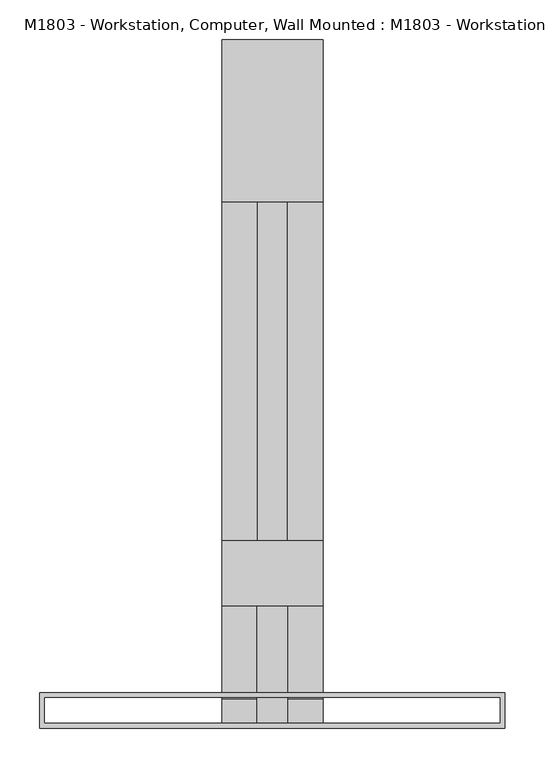
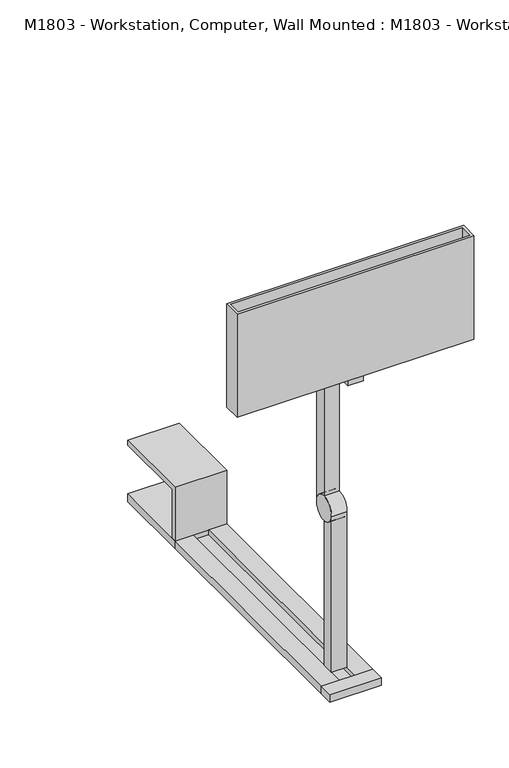
"""IFC4 building model written with IfcOpenShell, lengths in millimetres: proxy geometry, M1803 - Workstation, Computer, Wall Mounted : M1803 - Workstation, Computer, Wall Mounted."""

from ifc_helpers import new_model, si_unit, point, frame, frame_2d, origin, origin_with_axes, place, context, project, spatial, polyline, circle_curve, trimmed, segment, composite_curve, outline, extrude, source, transform, mapped, element, save


def m1803_workstation_computer_wall_mounted_m1803_workstation_b8d67a36(model_context):
    return source(origin(), model_context, "Body", "SweptSolid", [
        extrude(outline(composite_curve([segment(trimmed(circle_curve(frame_2d((101.6, 429.26)), 31.75), [point((101.6, 461.01))], [point((101.6, 397.51))], False, "CARTESIAN"), True, "CONTINUOUS"), segment(trimmed(circle_curve(frame_2d((101.6, 429.26)), 31.75), [point((101.6, 397.51))], [point((101.6, 461.01))], False, "CARTESIAN"), True, "CONTINUOUS")], self_intersect=False)), frame((-19.05, 0.0, 0.0), z_axis=(1.0, 0.0, 0.0), x_axis=(0.0, 1.0, 0.0)), (0.0, 0.0, 1.0), 38.1),
        extrude(outline(composite_curve([segment(polyline([(101.6, 397.51), (101.6, 20.32), (69.85, 20.32), (69.85, 429.26)]), True, "CONTINUOUS"), segment(trimmed(circle_curve(frame_2d((101.6, 429.26)), 31.75), [point((69.85, 429.26))], [point((101.6, 397.51))], True, "CARTESIAN"), True, "CONTINUOUS")], self_intersect=False)), frame((-19.05, 0.0, 0.0), z_axis=(1.0, 0.0, 0.0), x_axis=(0.0, 1.0, 0.0)), (0.0, 0.0, 1.0), 38.1),
        extrude(outline(composite_curve([segment(trimmed(circle_curve(frame_2d((101.6, 429.26)), 31.75), [point((133.35, 429.26))], [point((101.6, 461.01))], True, "CARTESIAN"), True, "CONTINUOUS"), segment(polyline([(101.6, 461.01), (101.6, 810.26), (133.35, 810.26), (133.35, 429.26)]), True, "CONTINUOUS")], self_intersect=False)), frame((-19.05, 0.0, 0.0), z_axis=(1.0, 0.0, 0.0), x_axis=(0.0, 1.0, 0.0)), (0.0, 0.0, 1.0), 38.1),
        extrude(outline(polyline([(292.1, 44.45), (292.1, 0.0), (-292.1, 0.0), (-292.1, 44.45), (292.1, 44.45)]), holes=[polyline([(285.75, 38.1), (-285.75, 38.1), (-285.75, 6.35), (285.75, 6.35), (285.75, 38.1)])]), frame((0.0, 0.0, 822.96), z_axis=(0.0, 0.0, 1.0), x_axis=(1.0, 0.0, 0.0)), (0.0, 0.0, 1.0), 269.24),
        extrude(outline(polyline([(63.5, 36.4221334), (63.5, 0.0), (-63.5, 0.0), (-63.5, 36.4221334), (63.5, 36.4221334)])), origin_with_axes(), (0.0, 0.0, 1.0), 20.32),
        extrude(outline(polyline([(20.32, -63.5), (0.0, -63.5), (0.0, 63.5), (20.32, 63.5), (20.32, 19.05), (7.62, 19.05), (7.62, -19.05), (20.32, -19.05), (20.32, -63.5)])), frame((0.0, 36.4221334, 0.0), z_axis=(0.0, 1.0, 0.0), x_axis=(0.0, 0.0, 1.0)), (0.0, 0.0, 1.0), 623.9778666),
        extrude(outline(polyline([(673.1, 147.32), (673.1, 20.32), (660.4, 20.32), (660.4, 160.02), (863.6, 160.02), (863.6, 147.32), (673.1, 147.32)])), frame((-63.5, 0.0, 0.0), z_axis=(1.0, 0.0, 0.0), x_axis=(0.0, 1.0, 0.0)), (0.0, 0.0, 1.0), 127.0),
        extrude(outline(polyline([(63.5, 153.4975917), (-63.5, 153.4975917), (-63.5, 234.95), (63.5, 234.95), (63.5, 153.4975917)])), frame((0.0, 0.0, 822.96), z_axis=(0.0, 0.0, 1.0), x_axis=(1.0, 0.0, 0.0)), (0.0, 0.0, 1.0), 12.7),
        extrude(outline(polyline([(19.05, 203.2), (19.05, 0.0), (-19.05, 0.0), (-19.05, 203.2), (19.05, 203.2)])), frame((0.0, 0.0, 810.26), z_axis=(0.0, 0.0, 1.0), x_axis=(1.0, 0.0, 0.0)), (0.0, 0.0, 1.0), 12.7),
        extrude(outline(polyline([(63.5, 863.6), (63.5, 660.4), (-63.5, 660.4), (-63.5, 863.6), (63.5, 863.6)])), origin_with_axes(), (0.0, 0.0, 1.0), 20.32),
    ])


if __name__ == "__main__":
    model = new_model("IFC4")
    model_context = context("Model", 3, world=origin())
    ifc_project = project(units=[si_unit("LENGTHUNIT", "METRE", prefix="MILLI")], contexts=[model_context])
    site = spatial("IfcSite", under=ifc_project)
    building = spatial("IfcBuilding", under=site)
    placement = place(None, origin())
    m1803_workstation_computer_wall_mounted_m1803_workstation_shape = m1803_workstation_computer_wall_mounted_m1803_workstation_b8d67a36(model_context)
    element("IfcBuildingElementProxy", 1, Name="M1803 - Workstation, Computer, Wall Mounted : M1803 - Workstation, Computer, Wall Mounted", ObjectType="M1803 - Workstation, Computer, Wall Mounted : M1803 - Workstation, Computer, Wall Mounted", at=placement, inside=building, context=model_context, shape_type="MappedRepresentation", body=[
        mapped(m1803_workstation_computer_wall_mounted_m1803_workstation_shape, transform((0.0, 0.0, 0.0), x_axis=(1.0, 0.0, 0.0), y_axis=(0.0, 1.0, 0.0), z_axis=(0.0, 0.0, 1.0))),
    ])
    save(model, "model.ifc")
